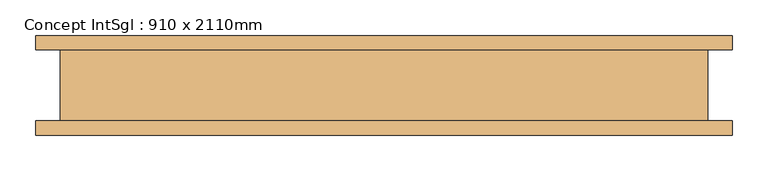
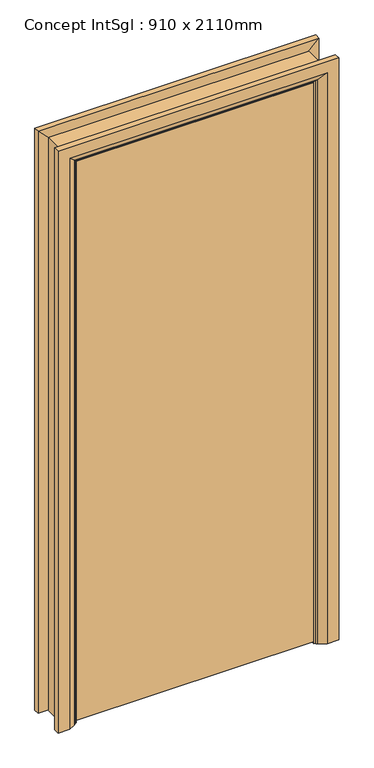
"""IFC4 building model written with IfcOpenShell, lengths in millimetres: door geometry, Concept IntSgl : 910 x 2110mm."""

from ifc_helpers import new_model, si_unit, frame, origin, place, context, project, spatial, polyline, circle_curve, ellipse_curve, outline, extrude, faceted_brep, source, transform, mapped, element, save
from ifc_brep_helpers import plane_surface, cylinder_surface, advanced_brep


def concept_intsgl_910_x_2110mm_f82baad5(model_context):
    return source(origin(), model_context, "Body", "SolidModel", [
        extrude(outline(polyline([(413.0, -12.0), (413.0, -50.0), (-413.0, -50.0), (-413.0, -12.0), (413.0, -12.0)])), frame((0.0, 0.0, 8.0), z_axis=(0.0, 0.0, 1.0), x_axis=(1.0, 0.0, 0.0)), (0.0, 0.0, 1.0), 2060.0),
        advanced_brep(
        [(490.0, -70.0, 0.0), (450.0, -70.0, 0.0), (424.0, -56.0, 0.0), (420.0, -50.0, 0.0), (490.0, -50.0, 0.0), (490.0, -50.0, 2145.0), (490.0, -70.0, 2145.0), (420.0, -50.0, 2075.0), (-420.0, -50.0, 2075.0), (-420.0, -50.0, 0.0), (-490.0, -50.0, 0.0), (-490.0, -50.0, 2145.0), (424.0, -56.0, 2079.0), (450.0, -70.0, 2105.0), (-490.0, -70.0, 2145.0), (-490.0, -70.0, 0.0), (-450.0, -70.0, 0.0), (-450.0, -70.0, 2105.0), (-424.0, -56.0, 0.0), (-424.0, -56.0, 2079.0)],
        [
            (0, 1),
            (1, 2),
            (2, 3, circle_curve(frame((428.0, -49.0, 0.0), z_axis=(0.0, 0.0, -1.0), x_axis=(1.0, 0.0, 0.0)), 8.0622577)),
            (3, 4),
            (4, 0),
            (4, 5),
            (5, 6),
            (6, 0),
            (3, 7),
            (7, 8),
            (8, 9),
            (9, 10),
            (10, 11),
            (11, 5),
            (2, 12),
            (12, 7, ellipse_curve(frame((428.0, -49.0, 2083.0), z_axis=(0.7071067811865475, 0.0, -0.7071067811865475), x_axis=(-0.7071067811865474, 0.0, -0.7071067811865476)), 11.4017543, 8.0622577)),
            (1, 13),
            (13, 12),
            (6, 14),
            (14, 15),
            (15, 16),
            (16, 17),
            (17, 13),
            (10, 15),
            (14, 11),
            (9, 18, circle_curve(frame((-428.0, -49.0, 0.0), z_axis=(0.0, 0.0, -1.0), x_axis=(-1.0, 0.0, 0.0)), 8.0622577)),
            (18, 16),
            (19, 18),
            (8, 19, ellipse_curve(frame((-428.0, -49.0, 2083.0), z_axis=(-0.7071067811865475, 0.0, -0.7071067811865475), x_axis=(-0.7071067811865474, 0.0, 0.7071067811865476)), 11.4017543, 8.0622577)),
            (19, 17),
            (12, 19),
        ],
        [
            plane_surface(frame((420.0, -50.0, 0.0), z_axis=(0.0, 0.0, -1.0), x_axis=(0.0, 1.0, 0.0))),
            plane_surface(frame((490.0, -70.0, 0.0), z_axis=(1.0, 0.0, 0.0), x_axis=(0.0, 0.0, 1.0))),
            plane_surface(frame((490.0, -50.0, 0.0), z_axis=(0.0, 1.0, 0.0), x_axis=(0.0, 0.0, 1.0))),
            cylinder_surface(frame((428.0, -49.0, 0.0), z_axis=(0.0, 0.0, -1.0), x_axis=(1.0, 0.0, 0.0)), 8.0622577),
            plane_surface(frame((424.0, -56.0, 0.0), z_axis=(-0.4740998230350126, -0.880471099922178, 0.0), x_axis=(0.0, 0.0, 1.0))),
            plane_surface(frame((450.0, -70.0, 0.0), z_axis=(0.0, -1.0, 0.0), x_axis=(0.0, 0.0, 1.0))),
            plane_surface(frame((-490.0, -70.0, 2145.0), z_axis=(-1.0, 0.0, 0.0), x_axis=(0.0, 0.0, -1.0))),
            plane_surface(frame((-420.0, -50.0, 0.0), z_axis=(0.0, 0.0, -1.0), x_axis=(0.0, 1.0, 0.0))),
            cylinder_surface(frame((-428.0, -49.0, 2075.0), z_axis=(0.0, 0.0, 1.0), x_axis=(-1.0, 0.0, 0.0)), 8.0622577),
            plane_surface(frame((-424.0, -56.0, 2079.0), z_axis=(0.47409982303501824, -0.8804710999221749, 0.0), x_axis=(0.0, 0.0, -1.0))),
            plane_surface(frame((490.0, -70.0, 2145.0), z_axis=(0.0, 0.0, 1.0), x_axis=(-1.0, 0.0, 0.0))),
            cylinder_surface(frame((420.0, -49.0, 2083.0), z_axis=(1.0, 0.0, 0.0), x_axis=(0.0, 0.0, 1.0)), 8.0622577),
            plane_surface(frame((424.0, -56.0, 2079.0), z_axis=(0.0, -0.8804710999221764, -0.4740998230350154), x_axis=(-1.0, 0.0, 0.0))),
        ],
        [
            (0, [[1, 2, 3, 4, 5]]),
            (1, [[6, 7, 8, -5]]),
            (2, [[9, 10, 11, 12, 13, 14, -6, -4]]),
            (3, [[15, 16, -9, -3]]),
            (4, [[17, 18, -15, -2]]),
            (5, [[-8, 19, 20, 21, 22, 23, -17, -1]]),
            (6, [[-13, 24, -20, 25]]),
            (7, [[-24, -12, 26, 27, -21]]),
            (8, [[28, -26, -11, 29]]),
            (9, [[-22, -27, -28, 30]]),
            (10, [[-14, -25, -19, -7]]),
            (11, [[31, -29, -10, -16]]),
            (12, [[-23, -30, -31, -18]]),
        ],
    ),
        extrude(outline(polyline([(0.0, -396.0), (2051.0, -396.0), (2051.0, 396.0), (0.0, 396.0), (0.0, 415.0), (2070.0, 415.0), (2070.0, -415.0), (0.0, -415.0), (0.0, -396.0)])), frame((0.0, -10.0, 0.0), z_axis=(0.0, 1.0, 0.0), x_axis=(0.0, 0.0, 1.0)), (0.0, 0.0, 1.0), 32.0),
        advanced_brep(
        [(-490.0, 70.0, 0.0), (-450.0, 70.0, 0.0), (-424.0, 56.0, 0.0), (-420.0, 50.0, 0.0), (-490.0, 50.0, 0.0), (-490.0, 50.0, 2145.0), (-490.0, 70.0, 2145.0), (-420.0, 50.0, 2075.0), (-424.0, 56.0, 2079.0), (-450.0, 70.0, 2105.0), (490.0, 70.0, 0.0), (490.0, 50.0, 0.0), (420.0, 50.0, 0.0), (424.0, 56.0, 0.0), (450.0, 70.0, 0.0), (490.0, 70.0, 2145.0), (450.0, 70.0, 2105.0), (424.0, 56.0, 2079.0), (420.0, 50.0, 2075.0), (490.0, 50.0, 2145.0)],
        [
            (0, 1),
            (1, 2),
            (2, 3, circle_curve(frame((-428.0, 49.0, 0.0), z_axis=(0.0, 0.0, -1.0), x_axis=(-1.0, 0.0, 0.0)), 8.0622577)),
            (3, 4),
            (4, 0),
            (4, 5),
            (5, 6),
            (6, 0),
            (3, 7),
            (7, 5),
            (2, 8),
            (8, 7, ellipse_curve(frame((-428.0, 49.0, 2083.0), z_axis=(-0.7071067811865475, 0.0, -0.7071067811865475), x_axis=(0.7071067811865474, 0.0, -0.7071067811865476)), 11.4017543, 8.0622577)),
            (1, 9),
            (9, 8),
            (6, 9),
            (10, 11),
            (11, 12),
            (12, 13, circle_curve(frame((428.0, 49.0, 0.0), z_axis=(0.0, 0.0, -1.0), x_axis=(1.0, 0.0, 0.0)), 8.0622577)),
            (13, 14),
            (14, 10),
            (15, 10),
            (14, 16),
            (16, 15),
            (13, 17),
            (17, 16),
            (12, 18),
            (18, 17, ellipse_curve(frame((428.0, 49.0, 2083.0), z_axis=(0.7071067811865475, 0.0, -0.7071067811865475), x_axis=(0.7071067811865474, 0.0, 0.7071067811865476)), 11.4017543, 8.0622577)),
            (11, 19),
            (19, 18),
            (15, 19),
            (5, 19),
            (15, 6),
            (7, 18),
            (8, 17),
            (9, 16),
        ],
        [
            plane_surface(frame((-420.0, 122.8010989, 0.0), z_axis=(0.0, 0.0, -1.0), x_axis=(1.0, 0.0, 0.0))),
            plane_surface(frame((-490.0, 70.0, 0.0), z_axis=(-1.0, 0.0, 0.0), x_axis=(0.0, 0.0, 1.0))),
            plane_surface(frame((-490.0, 50.0, 0.0), z_axis=(0.0, -1.0, 0.0), x_axis=(0.0, 0.0, 1.0))),
            cylinder_surface(frame((-428.0, 49.0, 0.0), z_axis=(0.0, 0.0, -1.0), x_axis=(-1.0, 0.0, 0.0)), 8.0622577),
            plane_surface(frame((-424.0, 56.0, 0.0), z_axis=(0.4740998230350183, 0.8804710999221749, 0.0), x_axis=(0.0, 0.0, 1.0))),
            plane_surface(frame((-450.0, 70.0, 0.0), z_axis=(0.0, 1.0, 0.0), x_axis=(0.0, 0.0, 1.0))),
            plane_surface(frame((420.0, 122.8010989, 0.0), z_axis=(0.0, 0.0, -1.0), x_axis=(-1.0, 0.0, 0.0))),
            plane_surface(frame((450.0, 70.0, 2105.0), z_axis=(0.0, 1.0, 0.0), x_axis=(0.0, 0.0, -1.0))),
            plane_surface(frame((424.0, 56.0, 2079.0), z_axis=(-0.4740998230350183, 0.8804710999221749, 0.0), x_axis=(0.0, 0.0, -1.0))),
            cylinder_surface(frame((428.0, 49.0, 2075.0), z_axis=(0.0, 0.0, 1.0), x_axis=(1.0, 0.0, 0.0)), 8.0622577),
            plane_surface(frame((490.0, 50.0, 2145.0), z_axis=(0.0, -1.0, 0.0), x_axis=(0.0, 0.0, -1.0))),
            plane_surface(frame((490.0, 70.0, 2145.0), z_axis=(1.0, 0.0, 0.0), x_axis=(0.0, 0.0, -1.0))),
            plane_surface(frame((-490.0, 70.0, 2145.0), z_axis=(0.0, 0.0, 1.0), x_axis=(1.0, 0.0, 0.0))),
            plane_surface(frame((-490.0, 50.0, 2145.0), z_axis=(0.0, -1.0, 0.0), x_axis=(1.0, 0.0, 0.0))),
            cylinder_surface(frame((-420.0, 49.0, 2083.0), z_axis=(-1.0, 0.0, 0.0), x_axis=(0.0, 0.0, 1.0)), 8.0622577),
            plane_surface(frame((-424.0, 56.0, 2079.0), z_axis=(0.0, 0.8804710999221749, -0.4740998230350183), x_axis=(1.0, 0.0, 0.0))),
            plane_surface(frame((-450.0, 70.0, 2105.0), z_axis=(0.0, 1.0, 0.0), x_axis=(1.0, 0.0, 0.0))),
        ],
        [
            (0, [[1, 2, 3, 4, 5]]),
            (1, [[6, 7, 8, -5]]),
            (2, [[9, 10, -6, -4]]),
            (3, [[11, 12, -9, -3]]),
            (4, [[13, 14, -11, -2]]),
            (5, [[-8, 15, -13, -1]]),
            (6, [[16, 17, 18, 19, 20]]),
            (7, [[21, -20, 22, 23]]),
            (8, [[-22, -19, 24, 25]]),
            (9, [[-24, -18, 26, 27]]),
            (10, [[-26, -17, 28, 29]]),
            (11, [[-28, -16, -21, 30]]),
            (12, [[31, -30, 32, -7]]),
            (13, [[33, -29, -31, -10]]),
            (14, [[34, -27, -33, -12]]),
            (15, [[35, -25, -34, -14]]),
            (16, [[-32, -23, -35, -15]]),
        ],
    ),
        faceted_brep([(-415.0, 50.0, 0.0), (-415.0, -50.0, 0.0), (-455.0, -50.0, 0.0), (-455.0, 50.0, 0.0), (-455.0, 50.0, 2110.0), (-415.0, 50.0, 2070.0), (-455.0, -50.0, 2110.0), (-415.0, -50.0, 2070.0), (415.0, 50.0, 0.0), (455.0, 50.0, 0.0), (455.0, -50.0, 0.0), (415.0, -50.0, 0.0), (415.0, 50.0, 2070.0), (415.0, -50.0, 2070.0), (455.0, -50.0, 2110.0), (455.0, 50.0, 2110.0)], [[[0, 1, 2, 3]], [[3, 4, 5, 0]], [[2, 6, 4, 3]], [[1, 7, 6, 2]], [[0, 5, 7, 1]], [[8, 9, 10, 11]], [[12, 8, 11, 13]], [[13, 11, 10, 14]], [[14, 10, 9, 15]], [[15, 9, 8, 12]], [[4, 15, 12, 5]], [[6, 14, 15, 4]], [[7, 13, 14, 6]], [[5, 12, 13, 7]]]),
    ])


if __name__ == "__main__":
    model = new_model("IFC4")
    model_context = context("Model", 3, world=origin())
    ifc_project = project(units=[si_unit("LENGTHUNIT", "METRE", prefix="MILLI")], contexts=[model_context])
    site = spatial("IfcSite", under=ifc_project)
    building = spatial("IfcBuilding", under=site)
    placement = place(None, origin())
    concept_intsgl_910_x_2110mm_shape = concept_intsgl_910_x_2110mm_f82baad5(model_context)
    element("IfcDoor", 1, ObjectType="Concept IntSgl : 910 x 2110mm", at=placement, inside=building, context=model_context, shape_type="MappedRepresentation", body=[
        mapped(concept_intsgl_910_x_2110mm_shape, transform((0.0, 0.0, 0.0), x_axis=(1.0, 0.0, 0.0), y_axis=(0.0, 1.0, 0.0), z_axis=(0.0, 0.0, 1.0))),
    ])
    save(model, "model.ifc")
